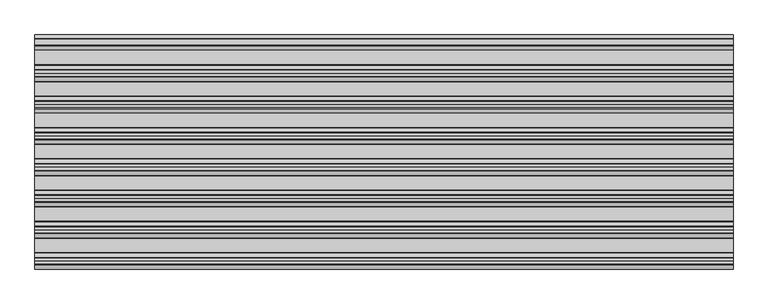
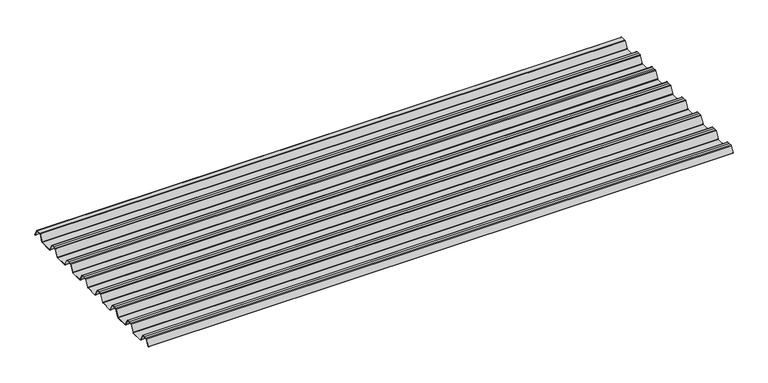
"""IFC4 building model written with IfcOpenShell, lengths in millimetres: beam geometry."""

from ifc_helpers import new_model, si_unit, point, frame, frame_2d, origin, place, context, project, spatial, polyline, circle_curve, trimmed, segment, composite_curve, outline, extrude, source, transform, mapped, element, save


def beam_6ebac5fa(model_context):
    return source(origin(), model_context, "Body", "SweptSolid", [
        extrude(outline(composite_curve([segment(trimmed(circle_curve(frame_2d((12.4202706, 6.454055)), 0.7571435), [point((13.1162593, 6.7521591))], [point((12.456054, 7.2103525))], True, "CARTESIAN"), True, "CONTINUOUS"), segment(polyline([(12.456054, 7.2103525), (-12.456054, 7.2103525)]), True, "CONTINUOUS"), segment(trimmed(circle_curve(frame_2d((-12.4202706, 6.454055)), 0.7571435), [point((-12.456054, 7.2103525))], [point((-13.1162593, 6.7521591))], True, "CARTESIAN"), True, "CONTINUOUS"), segment(polyline([(-13.1162593, 6.7521591), (-29.7452902, -24.2632513)]), True, "CONTINUOUS"), segment(trimmed(circle_curve(frame_2d((-32.2956191, -22.8958828)), 2.8937647), [point((-29.7452902, -24.2632513))], [point((-32.2956191, -25.7896475))], False, "CARTESIAN"), True, "CONTINUOUS"), segment(polyline([(-32.2956191, -25.7896475), (-92.0, -25.7896475)]), True, "CONTINUOUS"), segment(trimmed(circle_curve(frame_2d((-91.9202706, -22.03335)), 3.7571435), [point((-92.0, -25.7896475))], [point((-95.2893314, -23.6963464))], False, "CARTESIAN"), True, "CONTINUOUS"), segment(polyline([(-95.2893314, -23.6963464), (-112.0926736, 7.6441785)]), True, "CONTINUOUS"), segment(trimmed(circle_curve(frame_2d((-114.5797294, 6.454055)), 2.7571435), [point((-112.0926736, 7.6441785))], [point((-114.511431, 9.2103525))], True, "CARTESIAN"), True, "CONTINUOUS"), segment(polyline([(-114.511431, 9.2103525), (-127.0, 9.2103525), (-139.488569, 9.2103525)]), True, "CONTINUOUS"), segment(trimmed(circle_curve(frame_2d((-139.4202706, 6.454055)), 2.7571435), [point((-139.488569, 9.2103525))], [point((-141.9073264, 7.6441785))], True, "CARTESIAN"), True, "CONTINUOUS"), segment(polyline([(-141.9073264, 7.6441785), (-158.7106686, -23.6963464)]), True, "CONTINUOUS"), segment(trimmed(circle_curve(frame_2d((-162.0797294, -22.03335)), 3.7571435), [point((-158.7106686, -23.6963464))], [point((-162.0, -25.7896475))], False, "CARTESIAN"), True, "CONTINUOUS"), segment(polyline([(-162.0, -25.7896475), (-219.0, -25.7896475)]), True, "CONTINUOUS"), segment(trimmed(circle_curve(frame_2d((-218.9202706, -22.03335)), 3.7571435), [point((-219.0, -25.7896475))], [point((-222.2893314, -23.6963464))], False, "CARTESIAN"), True, "CONTINUOUS"), segment(polyline([(-222.2893314, -23.6963464), (-239.0926736, 7.6441785)]), True, "CONTINUOUS"), segment(trimmed(circle_curve(frame_2d((-241.5797294, 6.454055)), 2.7571435), [point((-239.0926736, 7.6441785))], [point((-241.511431, 9.2103525))], True, "CARTESIAN"), True, "CONTINUOUS"), segment(polyline([(-241.511431, 9.2103525), (-254.0, 9.2103525), (-266.488569, 9.2103525)]), True, "CONTINUOUS"), segment(trimmed(circle_curve(frame_2d((-266.4202706, 6.454055)), 2.7571435), [point((-266.488569, 9.2103525))], [point((-268.9073264, 7.6441785))], True, "CARTESIAN"), True, "CONTINUOUS"), segment(polyline([(-268.9073264, 7.6441785), (-285.7106686, -23.6963464)]), True, "CONTINUOUS"), segment(trimmed(circle_curve(frame_2d((-289.0797294, -22.03335)), 3.7571435), [point((-285.7106686, -23.6963464))], [point((-289.0, -25.7896475))], False, "CARTESIAN"), True, "CONTINUOUS"), segment(polyline([(-289.0, -25.7896475), (-346.0, -25.7896475)]), True, "CONTINUOUS"), segment(trimmed(circle_curve(frame_2d((-345.9202706, -22.03335)), 3.7571435), [point((-346.0, -25.7896475))], [point((-349.2893314, -23.6963464))], False, "CARTESIAN"), True, "CONTINUOUS"), segment(polyline([(-349.2893314, -23.6963464), (-366.0926736, 7.6441785)]), True, "CONTINUOUS"), segment(trimmed(circle_curve(frame_2d((-368.5797294, 6.454055)), 2.7571435), [point((-366.0926736, 7.6441785))], [point((-368.511431, 9.2103525))], True, "CARTESIAN"), True, "CONTINUOUS"), segment(polyline([(-368.511431, 9.2103525), (-381.0, 9.2103525), (-393.488569, 9.2103525)]), True, "CONTINUOUS"), segment(trimmed(circle_curve(frame_2d((-393.4202706, 6.454055)), 2.7571435), [point((-393.488569, 9.2103525))], [point((-395.9073264, 7.6441785))], True, "CARTESIAN"), True, "CONTINUOUS"), segment(polyline([(-395.9073264, 7.6441785), (-412.7106686, -23.6963464)]), True, "CONTINUOUS"), segment(trimmed(circle_curve(frame_2d((-416.0797294, -22.03335)), 3.7571435), [point((-412.7106686, -23.6963464))], [point((-416.0, -25.7896475))], False, "CARTESIAN"), True, "CONTINUOUS"), segment(polyline([(-416.0, -25.7896475), (-473.0, -25.7896475)]), True, "CONTINUOUS"), segment(trimmed(circle_curve(frame_2d((-472.9202706, -22.03335)), 3.7571435), [point((-473.0, -25.7896475))], [point((-476.2893314, -23.6963464))], False, "CARTESIAN"), True, "CONTINUOUS"), segment(polyline([(-476.2893314, -23.6963464), (-493.0926736, 7.6441785)]), True, "CONTINUOUS"), segment(trimmed(circle_curve(frame_2d((-495.5797294, 6.454055)), 2.7571435), [point((-493.0926736, 7.6441785))], [point((-495.511431, 9.2103525))], True, "CARTESIAN"), True, "CONTINUOUS"), segment(polyline([(-495.511431, 9.2103525), (-508.0, 9.2103525), (-520.488569, 9.2103525)]), True, "CONTINUOUS"), segment(trimmed(circle_curve(frame_2d((-520.4202706, 6.454055)), 2.7571435), [point((-520.488569, 9.2103525))], [point((-522.9073264, 7.6441785))], True, "CARTESIAN"), True, "CONTINUOUS"), segment(polyline([(-522.9073264, 7.6441785), (-539.7106686, -23.6963464)]), True, "CONTINUOUS"), segment(trimmed(circle_curve(frame_2d((-543.0797294, -22.03335)), 3.7571435), [point((-539.7106686, -23.6963464))], [point((-543.0, -25.7896475))], False, "CARTESIAN"), True, "CONTINUOUS"), segment(polyline([(-543.0, -25.7896475), (-600.0, -25.7896475)]), True, "CONTINUOUS"), segment(trimmed(circle_curve(frame_2d((-599.9202706, -22.03335)), 3.7571435), [point((-600.0, -25.7896475))], [point((-603.2893314, -23.6963464))], False, "CARTESIAN"), True, "CONTINUOUS"), segment(polyline([(-603.2893314, -23.6963464), (-620.0926736, 7.6441785)]), True, "CONTINUOUS"), segment(trimmed(circle_curve(frame_2d((-622.5797294, 6.454055)), 2.7571435), [point((-620.0926736, 7.6441785))], [point((-622.511431, 9.2103525))], True, "CARTESIAN"), True, "CONTINUOUS"), segment(polyline([(-622.511431, 9.2103525), (-635.0, 9.2103525), (-647.488569, 9.2103525)]), True, "CONTINUOUS"), segment(trimmed(circle_curve(frame_2d((-647.4202706, 6.454055)), 2.7571435), [point((-647.488569, 9.2103525))], [point((-649.9073264, 7.6441785))], True, "CARTESIAN"), True, "CONTINUOUS"), segment(polyline([(-649.9073264, 7.6441785), (-666.7106686, -23.6963464)]), True, "CONTINUOUS"), segment(trimmed(circle_curve(frame_2d((-670.0797294, -22.03335)), 3.7571435), [point((-666.7106686, -23.6963464))], [point((-670.0, -25.7896475))], False, "CARTESIAN"), True, "CONTINUOUS"), segment(polyline([(-670.0, -25.7896475), (-727.0, -25.7896475)]), True, "CONTINUOUS"), segment(trimmed(circle_curve(frame_2d((-726.9202706, -22.03335)), 3.7571435), [point((-727.0, -25.7896475))], [point((-730.2893314, -23.6963464))], False, "CARTESIAN"), True, "CONTINUOUS"), segment(polyline([(-730.2893314, -23.6963464), (-747.0926736, 7.6441785)]), True, "CONTINUOUS"), segment(trimmed(circle_curve(frame_2d((-749.5797294, 6.454055)), 2.7571435), [point((-747.0926736, 7.6441785))], [point((-749.511431, 9.2103525))], True, "CARTESIAN"), True, "CONTINUOUS"), segment(polyline([(-749.511431, 9.2103525), (-762.0, 9.2103525), (-774.488569, 9.2103525)]), True, "CONTINUOUS"), segment(trimmed(circle_curve(frame_2d((-774.4202706, 6.454055)), 2.7571435), [point((-774.488569, 9.2103525))], [point((-776.9073264, 7.6441785))], True, "CARTESIAN"), True, "CONTINUOUS"), segment(polyline([(-776.9073264, 7.6441785), (-793.7106686, -23.6963464)]), True, "CONTINUOUS"), segment(trimmed(circle_curve(frame_2d((-797.0797294, -22.03335)), 3.7571435), [point((-793.7106686, -23.6963464))], [point((-797.0, -25.7896475))], False, "CARTESIAN"), True, "CONTINUOUS"), segment(polyline([(-797.0, -25.7896475), (-854.0, -25.7896475)]), True, "CONTINUOUS"), segment(trimmed(circle_curve(frame_2d((-853.9202706, -22.03335)), 3.7571435), [point((-854.0, -25.7896475))], [point((-857.2893314, -23.6963464))], False, "CARTESIAN"), True, "CONTINUOUS"), segment(polyline([(-857.2893314, -23.6963464), (-874.0926736, 7.6441785)]), True, "CONTINUOUS"), segment(trimmed(circle_curve(frame_2d((-876.5797294, 6.454055)), 2.7571435), [point((-874.0926736, 7.6441785))], [point((-876.511431, 9.2103525))], True, "CARTESIAN"), True, "CONTINUOUS"), segment(polyline([(-876.511431, 9.2103525), (-889.0, 9.2103525), (-901.488569, 9.2103525)]), True, "CONTINUOUS"), segment(trimmed(circle_curve(frame_2d((-901.4202706, 6.454055)), 2.7571435), [point((-901.488569, 9.2103525))], [point((-903.9073264, 7.6441785))], True, "CARTESIAN"), True, "CONTINUOUS"), segment(polyline([(-903.9073264, 7.6441785), (-918.9585755, -20.4284536)]), True, "CONTINUOUS"), segment(trimmed(circle_curve(frame_2d((-919.3992348, -20.1921924)), 0.5), [point((-918.9585755, -20.4284536))], [point((-919.8398941, -19.9559313))], False, "CARTESIAN"), True, "CONTINUOUS"), segment(polyline([(-919.8398941, -19.9559313), (-904.7986379, 8.0980628)]), True, "CONTINUOUS"), segment(trimmed(circle_curve(frame_2d((-901.4202706, 6.454055)), 3.7571435), [point((-904.7986379, 8.0980628))], [point((-901.5, 10.2103525))], False, "CARTESIAN"), True, "CONTINUOUS"), segment(polyline([(-901.5, 10.2103525), (-889.0, 10.2103525), (-876.5, 10.2103525)]), True, "CONTINUOUS"), segment(trimmed(circle_curve(frame_2d((-876.5797294, 6.454055)), 3.7571435), [point((-876.5, 10.2103525))], [point((-873.2013621, 8.0980628))], False, "CARTESIAN"), True, "CONTINUOUS"), segment(polyline([(-873.2013621, 8.0980628), (-856.3994529, -23.2397892)]), True, "CONTINUOUS"), segment(trimmed(circle_curve(frame_2d((-853.9202706, -22.03335)), 2.7571435), [point((-856.3994529, -23.2397892))], [point((-853.988569, -24.7896475))], True, "CARTESIAN"), True, "CONTINUOUS"), segment(polyline([(-853.988569, -24.7896475), (-797.011431, -24.7896475)]), True, "CONTINUOUS"), segment(trimmed(circle_curve(frame_2d((-797.0797294, -22.03335)), 2.7571435), [point((-797.011431, -24.7896475))], [point((-794.6005471, -23.2397892))], True, "CARTESIAN"), True, "CONTINUOUS"), segment(polyline([(-794.6005471, -23.2397892), (-777.7986379, 8.0980628)]), True, "CONTINUOUS"), segment(trimmed(circle_curve(frame_2d((-774.4202706, 6.454055)), 3.7571435), [point((-777.7986379, 8.0980628))], [point((-774.5, 10.2103525))], False, "CARTESIAN"), True, "CONTINUOUS"), segment(polyline([(-774.5, 10.2103525), (-762.0, 10.2103525), (-749.5, 10.2103525)]), True, "CONTINUOUS"), segment(trimmed(circle_curve(frame_2d((-749.5797294, 6.454055)), 3.7571435), [point((-749.5, 10.2103525))], [point((-746.2013621, 8.0980628))], False, "CARTESIAN"), True, "CONTINUOUS"), segment(polyline([(-746.2013621, 8.0980628), (-729.3994529, -23.2397892)]), True, "CONTINUOUS"), segment(trimmed(circle_curve(frame_2d((-726.9202706, -22.03335)), 2.7571435), [point((-729.3994529, -23.2397892))], [point((-726.988569, -24.7896475))], True, "CARTESIAN"), True, "CONTINUOUS"), segment(polyline([(-726.988569, -24.7896475), (-670.011431, -24.7896475)]), True, "CONTINUOUS"), segment(trimmed(circle_curve(frame_2d((-670.0797294, -22.03335)), 2.7571435), [point((-670.011431, -24.7896475))], [point((-667.6005471, -23.2397892))], True, "CARTESIAN"), True, "CONTINUOUS"), segment(polyline([(-667.6005471, -23.2397892), (-650.7986379, 8.0980628)]), True, "CONTINUOUS"), segment(trimmed(circle_curve(frame_2d((-647.4202706, 6.454055)), 3.7571435), [point((-650.7986379, 8.0980628))], [point((-647.5, 10.2103525))], False, "CARTESIAN"), True, "CONTINUOUS"), segment(polyline([(-647.5, 10.2103525), (-635.0, 10.2103525), (-622.5, 10.2103525)]), True, "CONTINUOUS"), segment(trimmed(circle_curve(frame_2d((-622.5797294, 6.454055)), 3.7571435), [point((-622.5, 10.2103525))], [point((-619.2013621, 8.0980628))], False, "CARTESIAN"), True, "CONTINUOUS"), segment(polyline([(-619.2013621, 8.0980628), (-602.3994529, -23.2397892)]), True, "CONTINUOUS"), segment(trimmed(circle_curve(frame_2d((-599.9202706, -22.03335)), 2.7571435), [point((-602.3994529, -23.2397892))], [point((-599.988569, -24.7896475))], True, "CARTESIAN"), True, "CONTINUOUS"), segment(polyline([(-599.988569, -24.7896475), (-543.011431, -24.7896475)]), True, "CONTINUOUS"), segment(trimmed(circle_curve(frame_2d((-543.0797294, -22.03335)), 2.7571435), [point((-543.011431, -24.7896475))], [point((-540.6005471, -23.2397892))], True, "CARTESIAN"), True, "CONTINUOUS"), segment(polyline([(-540.6005471, -23.2397892), (-523.7986379, 8.0980628)]), True, "CONTINUOUS"), segment(trimmed(circle_curve(frame_2d((-520.4202706, 6.454055)), 3.7571435), [point((-523.7986379, 8.0980628))], [point((-520.5, 10.2103525))], False, "CARTESIAN"), True, "CONTINUOUS"), segment(polyline([(-520.5, 10.2103525), (-508.0, 10.2103525), (-495.5, 10.2103525)]), True, "CONTINUOUS"), segment(trimmed(circle_curve(frame_2d((-495.5797294, 6.454055)), 3.7571435), [point((-495.5, 10.2103525))], [point((-492.2013621, 8.0980628))], False, "CARTESIAN"), True, "CONTINUOUS"), segment(polyline([(-492.2013621, 8.0980628), (-475.3994529, -23.2397892)]), True, "CONTINUOUS"), segment(trimmed(circle_curve(frame_2d((-472.9202706, -22.03335)), 2.7571435), [point((-475.3994529, -23.2397892))], [point((-472.988569, -24.7896475))], True, "CARTESIAN"), True, "CONTINUOUS"), segment(polyline([(-472.988569, -24.7896475), (-416.011431, -24.7896475)]), True, "CONTINUOUS"), segment(trimmed(circle_curve(frame_2d((-416.0797294, -22.03335)), 2.7571435), [point((-416.011431, -24.7896475))], [point((-413.6005471, -23.2397892))], True, "CARTESIAN"), True, "CONTINUOUS"), segment(polyline([(-413.6005471, -23.2397892), (-396.7986379, 8.0980628)]), True, "CONTINUOUS"), segment(trimmed(circle_curve(frame_2d((-393.4202706, 6.454055)), 3.7571435), [point((-396.7986379, 8.0980628))], [point((-393.5, 10.2103525))], False, "CARTESIAN"), True, "CONTINUOUS"), segment(polyline([(-393.5, 10.2103525), (-381.0, 10.2103525), (-368.5, 10.2103525)]), True, "CONTINUOUS"), segment(trimmed(circle_curve(frame_2d((-368.5797294, 6.454055)), 3.7571435), [point((-368.5, 10.2103525))], [point((-365.2013621, 8.0980628))], False, "CARTESIAN"), True, "CONTINUOUS"), segment(polyline([(-365.2013621, 8.0980628), (-348.3994529, -23.2397892)]), True, "CONTINUOUS"), segment(trimmed(circle_curve(frame_2d((-345.9202706, -22.03335)), 2.7571435), [point((-348.3994529, -23.2397892))], [point((-345.988569, -24.7896475))], True, "CARTESIAN"), True, "CONTINUOUS"), segment(polyline([(-345.988569, -24.7896475), (-289.011431, -24.7896475)]), True, "CONTINUOUS"), segment(trimmed(circle_curve(frame_2d((-289.0797294, -22.03335)), 2.7571435), [point((-289.011431, -24.7896475))], [point((-286.6005471, -23.2397892))], True, "CARTESIAN"), True, "CONTINUOUS"), segment(polyline([(-286.6005471, -23.2397892), (-269.7986379, 8.0980628)]), True, "CONTINUOUS"), segment(trimmed(circle_curve(frame_2d((-266.4202706, 6.454055)), 3.7571435), [point((-269.7986379, 8.0980628))], [point((-266.5, 10.2103525))], False, "CARTESIAN"), True, "CONTINUOUS"), segment(polyline([(-266.5, 10.2103525), (-254.0, 10.2103525), (-241.5, 10.2103525)]), True, "CONTINUOUS"), segment(trimmed(circle_curve(frame_2d((-241.5797294, 6.454055)), 3.7571435), [point((-241.5, 10.2103525))], [point((-238.2013621, 8.0980628))], False, "CARTESIAN"), True, "CONTINUOUS"), segment(polyline([(-238.2013621, 8.0980628), (-221.3994529, -23.2397892)]), True, "CONTINUOUS"), segment(trimmed(circle_curve(frame_2d((-218.9202706, -22.03335)), 2.7571435), [point((-221.3994529, -23.2397892))], [point((-218.988569, -24.7896475))], True, "CARTESIAN"), True, "CONTINUOUS"), segment(polyline([(-218.988569, -24.7896475), (-162.011431, -24.7896475)]), True, "CONTINUOUS"), segment(trimmed(circle_curve(frame_2d((-162.0797294, -22.03335)), 2.7571435), [point((-162.011431, -24.7896475))], [point((-159.6005471, -23.2397892))], True, "CARTESIAN"), True, "CONTINUOUS"), segment(polyline([(-159.6005471, -23.2397892), (-142.7986379, 8.0980628)]), True, "CONTINUOUS"), segment(trimmed(circle_curve(frame_2d((-139.4202706, 6.454055)), 3.7571435), [point((-142.7986379, 8.0980628))], [point((-139.5, 10.2103525))], False, "CARTESIAN"), True, "CONTINUOUS"), segment(polyline([(-139.5, 10.2103525), (-127.0, 10.2103525), (-114.5, 10.2103525)]), True, "CONTINUOUS"), segment(trimmed(circle_curve(frame_2d((-114.5797294, 6.454055)), 3.7571435), [point((-114.5, 10.2103525))], [point((-111.2013621, 8.0980628))], False, "CARTESIAN"), True, "CONTINUOUS"), segment(polyline([(-111.2013621, 8.0980628), (-94.3994529, -23.2397892)]), True, "CONTINUOUS"), segment(trimmed(circle_curve(frame_2d((-91.9202706, -22.03335)), 2.7571435), [point((-94.3994529, -23.2397892))], [point((-91.988569, -24.7896475))], True, "CARTESIAN"), True, "CONTINUOUS"), segment(polyline([(-91.988569, -24.7896475), (-32.2956191, -24.7896475)]), True, "CONTINUOUS"), segment(trimmed(circle_curve(frame_2d((-32.2956191, -22.8958828)), 1.8937647), [point((-32.2956191, -24.7896475))], [point((-30.6266089, -23.790729))], True, "CARTESIAN"), True, "CONTINUOUS"), segment(polyline([(-30.6266089, -23.790729), (-14.013963, 7.1941212)]), True, "CONTINUOUS"), segment(trimmed(circle_curve(frame_2d((-12.4202706, 6.454055)), 1.7571435), [point((-14.013963, 7.1941212))], [point((-12.4747918, 8.2103525))], False, "CARTESIAN"), True, "CONTINUOUS"), segment(polyline([(-12.4747918, 8.2103525), (12.4747918, 8.2103525)]), True, "CONTINUOUS"), segment(trimmed(circle_curve(frame_2d((12.4202706, 6.454055)), 1.7571435), [point((12.4747918, 8.2103525))], [point((14.013963, 7.1941212))], False, "CARTESIAN"), True, "CONTINUOUS"), segment(polyline([(14.013963, 7.1941212), (29.5895021, -21.8563833)]), True, "CONTINUOUS"), segment(trimmed(circle_curve(frame_2d((29.1488427, -22.0926445)), 0.5), [point((29.5895021, -21.8563833))], [point((28.7081834, -22.3289057))], False, "CARTESIAN"), True, "CONTINUOUS"), segment(polyline([(28.7081834, -22.3289057), (13.1162593, 6.7521591)]), True, "CONTINUOUS")], self_intersect=False)), frame((-1415.9204234, 0.0, 0.0), z_axis=(1.0, 0.0, 0.0), x_axis=(0.0, 1.0, 0.0)), (0.0, 0.0, 1.0), 2831.8408469),
    ])


if __name__ == "__main__":
    model = new_model("IFC4")
    model_context = context("Model", 3, world=origin())
    ifc_project = project(units=[si_unit("LENGTHUNIT", "METRE", prefix="MILLI")], contexts=[model_context])
    site = spatial("IfcSite", under=ifc_project)
    building = spatial("IfcBuilding", under=site)
    placement = place(None, origin())
    beam_shape = beam_6ebac5fa(model_context)
    element("IfcBeam", 1, at=placement, inside=building, context=model_context, shape_type="MappedRepresentation", body=[
        mapped(beam_shape, transform((0.0, 0.0, 0.0), x_axis=(1.0, 0.0, 0.0), y_axis=(0.0, 1.0, 0.0), z_axis=(0.0, 0.0, 1.0))),
    ])
    save(model, "model.ifc")
